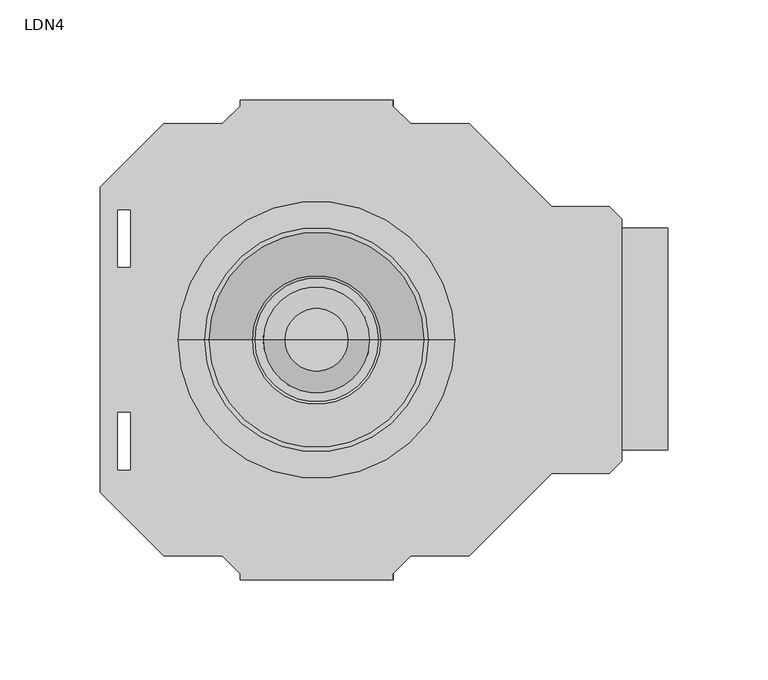
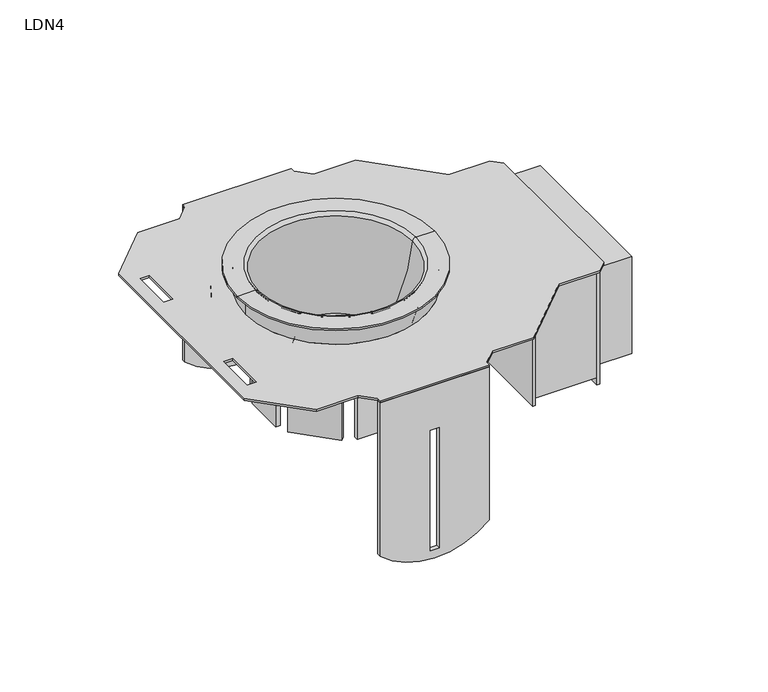
"""IFC4 building model written with IfcOpenShell, lengths in millimetres: light fixture geometry, LDN4."""

from ifc_helpers import new_model, si_unit, point, frame, frame_2d, origin, place, context, project, spatial, polyline, circle_curve, ellipse_curve, trimmed, segment, composite_curve, outline, extrude, source, transform, mapped, element, save
from ifc_brep_helpers import plane_surface, cylinder_surface, revolved_surface, advanced_brep


def ldn4_453c6aef(model_context):
    return source(origin(), model_context, "Body", "SolidModel", [
        extrude(outline(composite_curve([segment(polyline([(-15.8702112, 409.6494281), (-129.0810051, 409.6494281)]), True, "CONTINUOUS"), segment(trimmed(circle_curve(frame_2d((-86.7922705, 447.7942934)), 56.9505736), [point((-129.0810051, 409.6494281))], [point((-129.0810051, 485.9391587))], False, "CARTESIAN"), True, "CONTINUOUS"), segment(polyline([(-129.0810051, 485.9391587), (-15.8702112, 485.9391587), (-15.8702112, 409.6494281)]), True, "CONTINUOUS")], self_intersect=False), holes=[polyline([(-137.2785156, 444.547284), (-48.3785156, 444.547284), (-48.3785156, 450.897284), (-137.2785156, 450.897284), (-137.2785156, 444.547284)])]), frame((0.0, -119.6691594, 0.0), z_axis=(0.0, 1.0, 0.0), x_axis=(0.0, 0.0, 1.0)), (0.0, 0.0, 1.0), 2.8641741),
        extrude(outline(composite_curve([segment(polyline([(-15.8702112, 409.6494281), (-129.0810051, 409.6494281)]), True, "CONTINUOUS"), segment(trimmed(circle_curve(frame_2d((-86.7922705, 447.7942934)), 56.9505736), [point((-129.0810051, 409.6494281))], [point((-129.0810051, 485.9391587))], False, "CARTESIAN"), True, "CONTINUOUS"), segment(polyline([(-129.0810051, 485.9391587), (-15.8702112, 485.9391587), (-15.8702112, 409.6494281)]), True, "CONTINUOUS")], self_intersect=False), holes=[polyline([(-137.2785156, 444.547284), (-48.3785156, 444.547284), (-48.3785156, 450.897284), (-137.2785156, 450.897284), (-137.2785156, 444.547284)])]), frame((0.0, 116.7803803, 0.0), z_axis=(0.0, 1.0, 0.0), x_axis=(0.0, 0.0, 1.0)), (0.0, 0.0, 1.0), 2.8641741),
        advanced_brep(
        [(400.6090327, 14.2361052, -93.1484804), (400.6090327, -14.2607102, -93.1484804), (397.4361207, -14.2607102, -93.1484804), (397.4361207, 14.2361052, -93.1484804), (494.8397112, 14.2361052, -93.1484804), (498.0126232, 14.2361052, -93.1484804), (498.0126232, -14.2607102, -93.1484804), (494.8397112, -14.2607102, -93.1484804), (403.2191148, 20.5464802, -93.1484804), (401.1196215, 22.6459735, -93.1484804), (425.0596758, 46.5860277, -93.1484804), (427.159169, 44.4865345, -93.1484804), (461.9818592, 47.313081, -93.1484804), (433.4668847, 47.313081, -93.1484804), (433.4668847, 50.488081, -93.1484804), (461.9818592, 50.488081, -93.1484804), (492.2296292, 20.5464802, -93.1484804), (468.2895749, 44.4865345, -93.1484804), (470.3890681, 46.5860277, -93.1484804), (494.3291224, 22.6459735, -93.1484804), (403.2191148, -20.5710852, -93.1484804), (427.159169, -44.5111395, -93.1484804), (425.0596758, -46.6106327, -93.1484804), (401.1196215, -22.6705784, -93.1484804), (461.9818592, -47.337686, -93.1484804), (461.9818592, -50.512686, -93.1484804), (433.4668847, -50.512686, -93.1484804), (433.4668847, -47.337686, -93.1484804), (492.2296292, -20.5710852, -93.1484804), (494.3291224, -22.6705784, -93.1484804), (470.3890681, -46.6106327, -93.1484804), (468.2895749, -44.5111395, -93.1484804), (397.4361207, 14.2361052, -62.6329545), (403.7819447, 14.2361052, -62.6329545), (403.7819447, 14.2361052, -65.8058665), (400.6090327, 14.2361052, -65.8058665), (397.4361207, -14.2607102, -62.6329545), (400.6090327, -14.2607102, -65.8058665), (403.7819447, -14.2607102, -65.8058665), (403.7819447, -14.2607102, -62.6329545), (494.8397112, -14.2607102, -65.8058665), (494.8397112, 14.2361052, -65.8058665), (498.0126232, -14.2607102, -62.6329545), (491.6667992, -14.2607102, -62.6329545), (491.6667992, -14.2607102, -65.8058665), (498.0126232, 14.2361052, -62.6329545), (491.6667992, 14.2361052, -65.8058665), (491.6667992, 14.2361052, -62.6329545), (427.159169, 44.4865345, -65.8058665), (403.2191148, 20.5464802, -65.8058665), (425.0596758, 46.5860277, -62.6329545), (429.4027566, 42.2429469, -62.6329545), (429.4027566, 42.2429469, -65.8058665), (401.1196215, 22.6459735, -62.6329545), (405.6097496, 18.1558454, -65.8058665), (405.6097496, 18.1558454, -62.6329545), (461.9818592, 50.488081, -62.6329545), (461.9818592, 44.138081, -62.6329545), (461.9818592, 44.138081, -65.8058665), (461.9818592, 47.313081, -65.8058665), (433.4668847, 50.488081, -62.6329545), (433.4668847, 47.313081, -65.8058665), (433.4668847, 44.138081, -65.8058665), (433.4668847, 44.138081, -62.6329545), (494.3291224, 22.6459735, -62.6329545), (489.8389943, 18.1558454, -62.6329545), (489.8389943, 18.1558454, -65.8058665), (492.2296292, 20.5464802, -65.8058665), (470.3890681, 46.5860277, -62.6329545), (468.2895749, 44.4865345, -65.8058665), (466.0459873, 42.2429469, -65.8058665), (466.0459873, 42.2429469, -62.6329545), (401.1196215, -22.6705784, -62.6329545), (405.6097496, -18.1804504, -62.6329545), (405.6097496, -18.1804504, -65.8058665), (403.2191148, -20.5710852, -65.8058665), (425.0596758, -46.6106327, -62.6329545), (427.159169, -44.5111395, -65.8058665), (429.4027566, -42.2675519, -65.8058665), (429.4027566, -42.2675519, -62.6329545), (433.4668847, -47.337686, -65.8058665), (461.9818592, -47.337686, -65.8058665), (433.4668847, -50.512686, -62.6329545), (433.4668847, -44.162686, -62.6329545), (433.4668847, -44.162686, -65.8058665), (461.9818592, -50.512686, -62.6329545), (461.9818592, -44.162686, -65.8058665), (461.9818592, -44.162686, -62.6329545), (468.2895749, -44.5111395, -65.8058665), (492.2296292, -20.5710852, -65.8058665), (470.3890681, -46.6106327, -62.6329545), (466.0459873, -42.2675519, -62.6329545), (466.0459873, -42.2675519, -65.8058665), (494.3291224, -22.6705784, -62.6329545), (489.8389943, -18.1804504, -65.8058665), (489.8389943, -18.1804504, -62.6329545)],
        [
            (0, 1),
            (1, 2),
            (2, 3),
            (3, 0),
            (4, 5),
            (5, 6),
            (6, 7),
            (7, 4),
            (8, 9),
            (9, 10),
            (10, 11),
            (11, 8),
            (12, 13),
            (13, 14),
            (14, 15),
            (15, 12),
            (16, 17),
            (17, 18),
            (18, 19),
            (19, 16),
            (20, 21),
            (21, 22),
            (22, 23),
            (23, 20),
            (24, 25),
            (25, 26),
            (26, 27),
            (27, 24),
            (28, 29),
            (29, 30),
            (30, 31),
            (31, 28),
            (3, 32),
            (32, 33),
            (33, 34),
            (34, 35),
            (35, 0),
            (2, 36),
            (36, 32),
            (1, 37),
            (37, 38),
            (38, 39),
            (39, 36),
            (35, 37),
            (7, 40),
            (40, 41),
            (41, 4),
            (6, 42),
            (42, 43),
            (43, 44),
            (44, 40),
            (5, 45),
            (45, 42),
            (41, 46),
            (46, 47),
            (47, 45),
            (11, 48),
            (48, 49),
            (49, 8),
            (10, 50),
            (50, 51),
            (51, 52),
            (52, 48),
            (9, 53),
            (53, 50),
            (49, 54),
            (54, 55),
            (55, 53),
            (15, 56),
            (56, 57),
            (57, 58),
            (58, 59),
            (59, 12),
            (14, 60),
            (60, 56),
            (13, 61),
            (61, 62),
            (62, 63),
            (63, 60),
            (59, 61),
            (19, 64),
            (64, 65),
            (65, 66),
            (66, 67),
            (67, 16),
            (18, 68),
            (68, 64),
            (17, 69),
            (69, 70),
            (70, 71),
            (71, 68),
            (67, 69),
            (23, 72),
            (72, 73),
            (73, 74),
            (74, 75),
            (75, 20),
            (22, 76),
            (76, 72),
            (21, 77),
            (77, 78),
            (78, 79),
            (79, 76),
            (75, 77),
            (27, 80),
            (80, 81),
            (81, 24),
            (26, 82),
            (82, 83),
            (83, 84),
            (84, 80),
            (25, 85),
            (85, 82),
            (81, 86),
            (86, 87),
            (87, 85),
            (31, 88),
            (88, 89),
            (89, 28),
            (30, 90),
            (90, 91),
            (91, 92),
            (92, 88),
            (29, 93),
            (93, 90),
            (89, 94),
            (94, 95),
            (95, 93),
            (39, 73, circle_curve(frame((403.7819447, -16.64674, -62.6329545), z_axis=(0.0, 0.0, -1.0), x_axis=(1.0, 0.0, 0.0)), 2.3860298)),
            (79, 83, circle_curve(frame((431.0899345, -43.9547298, -62.6329545), z_axis=(0.0, 0.0, -1.0), x_axis=(1.0, 0.0, 0.0)), 2.3860298)),
            (87, 91, circle_curve(frame((464.3588095, -43.9547298, -62.6329545), z_axis=(0.0, 0.0, -1.0), x_axis=(1.0, 0.0, 0.0)), 2.3860298)),
            (95, 43, circle_curve(frame((491.6667992, -16.64674, -62.6329545), z_axis=(0.0, 0.0, -1.0), x_axis=(1.0, 0.0, 0.0)), 2.3860298)),
            (47, 65, circle_curve(frame((491.6667992, 16.622135, -62.6329545), z_axis=(0.0, 0.0, -1.0), x_axis=(1.0, 0.0, 0.0)), 2.3860298)),
            (71, 57, circle_curve(frame((464.3588095, 43.9301248, -62.6329545), z_axis=(0.0, 0.0, -1.0), x_axis=(1.0, 0.0, 0.0)), 2.3860298)),
            (63, 51, circle_curve(frame((431.0899345, 43.9301248, -62.6329545), z_axis=(0.0, 0.0, -1.0), x_axis=(1.0, 0.0, 0.0)), 2.3860298)),
            (55, 33, circle_curve(frame((403.7819447, 16.622135, -62.6329545), z_axis=(0.0, 0.0, -1.0), x_axis=(1.0, 0.0, 0.0)), 2.3860298)),
            (34, 54, circle_curve(frame((403.7819447, 16.622135, -65.8058665), z_axis=(0.0, 0.0, 1.0), x_axis=(1.0, 0.0, 0.0)), 2.3860298)),
            (52, 62, circle_curve(frame((431.0899345, 43.9301248, -65.8058665), z_axis=(0.0, 0.0, 1.0), x_axis=(1.0, 0.0, 0.0)), 2.3860298)),
            (58, 70, circle_curve(frame((464.3588095, 43.9301248, -65.8058665), z_axis=(0.0, 0.0, 1.0), x_axis=(1.0, 0.0, 0.0)), 2.3860298)),
            (66, 46, circle_curve(frame((491.6667992, 16.622135, -65.8058665), z_axis=(0.0, 0.0, 1.0), x_axis=(1.0, 0.0, 0.0)), 2.3860298)),
            (44, 94, circle_curve(frame((491.6667992, -16.64674, -65.8058665), z_axis=(0.0, 0.0, 1.0), x_axis=(1.0, 0.0, 0.0)), 2.3860298)),
            (92, 86, circle_curve(frame((464.3588095, -43.9547298, -65.8058665), z_axis=(0.0, 0.0, 1.0), x_axis=(1.0, 0.0, 0.0)), 2.3860298)),
            (84, 78, circle_curve(frame((431.0899345, -43.9547298, -65.8058665), z_axis=(0.0, 0.0, 1.0), x_axis=(1.0, 0.0, 0.0)), 2.3860298)),
            (74, 38, circle_curve(frame((403.7819447, -16.64674, -65.8058665), z_axis=(0.0, 0.0, 1.0), x_axis=(1.0, 0.0, 0.0)), 2.3860298)),
        ],
        [
            plane_surface(frame((397.4361207, 14.2361052, -93.1484804), z_axis=(0.0, 0.0, -1.0), x_axis=(1.0, 0.0, 0.0))),
            plane_surface(frame((400.6090327, 14.2361052, -65.8058665), z_axis=(0.0, 1.0, 0.0), x_axis=(0.0, 0.0, -1.0))),
            plane_surface(frame((397.4361207, 14.2361052, -65.8058665), z_axis=(-1.0, 0.0, 0.0), x_axis=(0.0, 0.0, -1.0))),
            plane_surface(frame((397.4361207, -14.2607102, -65.8058665), z_axis=(0.0, -1.0, 0.0), x_axis=(0.0, 0.0, -1.0))),
            plane_surface(frame((400.6090327, -14.2607102, -65.8058665), z_axis=(1.0, 0.0, 0.0), x_axis=(0.0, 0.0, -1.0))),
            plane_surface(frame((494.8397112, 14.2361052, -65.8058665), z_axis=(-1.0, 0.0, 0.0), x_axis=(0.0, 0.0, -1.0))),
            plane_surface(frame((494.8397112, -14.2607102, -65.8058665), z_axis=(0.0, -1.0, 0.0), x_axis=(0.0, 0.0, -1.0))),
            plane_surface(frame((498.0126232, -14.2607102, -65.8058665), z_axis=(1.0, 0.0, 0.0), x_axis=(0.0, 0.0, -1.0))),
            plane_surface(frame((498.0126232, 14.2361052, -65.8058665), z_axis=(0.0, 1.0, 0.0), x_axis=(0.0, 0.0, -1.0))),
            plane_surface(frame((403.2191148, 20.5464802, -65.8058665), z_axis=(0.7071067811865468, -0.7071067811865482, 0.0), x_axis=(0.0, 0.0, -1.0))),
            plane_surface(frame((427.159169, 44.4865345, -65.8058665), z_axis=(0.7071067811865476, 0.7071067811865476, 0.0), x_axis=(0.0, 0.0, -1.0))),
            plane_surface(frame((425.0596758, 46.5860277, -65.8058665), z_axis=(-0.7071067811865468, 0.7071067811865483, 0.0), x_axis=(0.0, 0.0, -1.0))),
            plane_surface(frame((401.1196215, 22.6459735, -65.8058665), z_axis=(-0.707106781186549, -0.7071067811865461, 0.0), x_axis=(0.0, 0.0, -1.0))),
            plane_surface(frame((461.9818592, 47.313081, -65.8058665), z_axis=(1.0, 0.0, 0.0), x_axis=(0.0, 0.0, -1.0))),
            plane_surface(frame((461.9818592, 50.488081, -65.8058665), z_axis=(0.0, 1.0, 0.0), x_axis=(0.0, 0.0, -1.0))),
            plane_surface(frame((433.4668847, 50.488081, -65.8058665), z_axis=(-1.0, 0.0, 0.0), x_axis=(0.0, 0.0, -1.0))),
            plane_surface(frame((433.4668847, 47.313081, -65.8058665), z_axis=(0.0, -1.0, 0.0), x_axis=(0.0, 0.0, -1.0))),
            plane_surface(frame((492.2296292, 20.5464802, -65.8058665), z_axis=(0.707106781186549, -0.7071067811865461, 0.0), x_axis=(0.0, 0.0, -1.0))),
            plane_surface(frame((494.3291224, 22.6459735, -65.8058665), z_axis=(0.7071067811865468, 0.7071067811865483, 0.0), x_axis=(0.0, 0.0, -1.0))),
            plane_surface(frame((470.3890681, 46.5860277, -65.8058665), z_axis=(-0.7071067811865476, 0.7071067811865476, 0.0), x_axis=(0.0, 0.0, -1.0))),
            plane_surface(frame((468.2895749, 44.4865345, -65.8058665), z_axis=(-0.7071067811865468, -0.7071067811865482, 0.0), x_axis=(0.0, 0.0, -1.0))),
            plane_surface(frame((403.2191148, -20.5710852, -65.8058665), z_axis=(-0.7071067811865526, 0.7071067811865426, 0.0), x_axis=(0.0, 0.0, -1.0))),
            plane_surface(frame((401.1196215, -22.6705784, -65.8058665), z_axis=(-0.7071067811865442, -0.7071067811865509, 0.0), x_axis=(0.0, 0.0, -1.0))),
            plane_surface(frame((425.0596758, -46.6106327, -65.8058665), z_axis=(0.7071067811865518, -0.7071067811865432, 0.0), x_axis=(0.0, 0.0, -1.0))),
            plane_surface(frame((427.159169, -44.5111395, -65.8058665), z_axis=(0.7071067811865444, 0.7071067811865507, 0.0), x_axis=(0.0, 0.0, -1.0))),
            plane_surface(frame((461.9818592, -47.337686, -65.8058665), z_axis=(0.0, 1.0, 0.0), x_axis=(0.0, 0.0, -1.0))),
            plane_surface(frame((433.4668847, -47.337686, -65.8058665), z_axis=(-1.0, 0.0, 0.0), x_axis=(0.0, 0.0, -1.0))),
            plane_surface(frame((433.4668847, -50.512686, -65.8058665), z_axis=(0.0, -1.0, 0.0), x_axis=(0.0, 0.0, -1.0))),
            plane_surface(frame((461.9818592, -50.512686, -65.8058665), z_axis=(1.0, 0.0, 0.0), x_axis=(0.0, 0.0, -1.0))),
            plane_surface(frame((492.2296292, -20.5710852, -65.8058665), z_axis=(-0.7071067811865491, 0.7071067811865459, 0.0), x_axis=(0.0, 0.0, -1.0))),
            plane_surface(frame((468.2895749, -44.5111395, -65.8058665), z_axis=(-0.7071067811865447, -0.7071067811865505, 0.0), x_axis=(0.0, 0.0, -1.0))),
            plane_surface(frame((470.3890681, -46.6106327, -65.8058665), z_axis=(0.7071067811865491, -0.7071067811865459, 0.0), x_axis=(0.0, 0.0, -1.0))),
            plane_surface(frame((494.3291224, -22.6705784, -65.8058665), z_axis=(0.7071067811865447, 0.7071067811865505, 0.0), x_axis=(0.0, 0.0, -1.0))),
            plane_surface(frame((397.4361207, 14.2361052, -62.6329545), z_axis=(0.0, 0.0, 1.0), x_axis=(-1.0, 0.0, 0.0))),
            plane_surface(frame((397.4361207, 14.2361052, -65.8058665), z_axis=(0.0, 0.0, -1.0), x_axis=(1.0, 0.0, 0.0))),
            revolved_surface(polyline([(406.1679745, -16.64674, -65.8058665), (406.1679745, -16.64674, -62.6329545)]), (403.7819447, -16.64674, -65.8058665), (0.0, 0.0, -1.0)),
            revolved_surface(polyline([(433.47596430000004, -43.9547298, -65.8058665), (433.47596430000004, -43.9547298, -62.6329545)]), (431.0899345, -43.9547298, -65.8058665), (0.0, 0.0, -1.0)),
            revolved_surface(polyline([(466.7448393, -43.9547298, -65.8058665), (466.7448393, -43.9547298, -62.6329545)]), (464.3588095, -43.9547298, -65.8058665), (0.0, 0.0, -1.0)),
            revolved_surface(polyline([(494.05282900000003, -16.64674, -65.8058665), (494.05282900000003, -16.64674, -62.6329545)]), (491.6667992, -16.64674, -65.8058665), (0.0, 0.0, -1.0)),
            revolved_surface(polyline([(494.05282900000003, 16.622135, -65.8058665), (494.05282900000003, 16.622135, -62.6329545)]), (491.6667992, 16.622135, -65.8058665), (0.0, 0.0, -1.0)),
            revolved_surface(polyline([(466.7448393, 43.9301248, -65.8058665), (466.7448393, 43.9301248, -62.6329545)]), (464.3588095, 43.9301248, -65.8058665), (0.0, 0.0, -1.0)),
            revolved_surface(polyline([(433.47596430000004, 43.9301248, -65.8058665), (433.47596430000004, 43.9301248, -62.6329545)]), (431.0899345, 43.9301248, -65.8058665), (0.0, 0.0, -1.0)),
            revolved_surface(polyline([(406.1679745, 16.622135, -65.8058665), (406.1679745, 16.622135, -62.6329545)]), (403.7819447, 16.622135, -65.8058665), (0.0, 0.0, -1.0)),
        ],
        [
            (0, [[1, 2, 3, 4]]),
            (0, [[5, 6, 7, 8]]),
            (0, [[9, 10, 11, 12]]),
            (0, [[13, 14, 15, 16]]),
            (0, [[17, 18, 19, 20]]),
            (0, [[21, 22, 23, 24]]),
            (0, [[25, 26, 27, 28]]),
            (0, [[29, 30, 31, 32]]),
            (1, [[-4, 33, 34, 35, 36, 37]]),
            (2, [[-33, -3, 38, 39]]),
            (3, [[-38, -2, 40, 41, 42, 43]]),
            (4, [[-1, -37, 44, -40]]),
            (5, [[-8, 45, 46, 47]]),
            (6, [[-7, 48, 49, 50, 51, -45]]),
            (7, [[-48, -6, 52, 53]]),
            (8, [[-52, -5, -47, 54, 55, 56]]),
            (9, [[-12, 57, 58, 59]]),
            (10, [[-11, 60, 61, 62, 63, -57]]),
            (11, [[-60, -10, 64, 65]]),
            (12, [[-64, -9, -59, 66, 67, 68]]),
            (13, [[-16, 69, 70, 71, 72, 73]]),
            (14, [[-69, -15, 74, 75]]),
            (15, [[-74, -14, 76, 77, 78, 79]]),
            (16, [[-13, -73, 80, -76]]),
            (17, [[-20, 81, 82, 83, 84, 85]]),
            (18, [[-81, -19, 86, 87]]),
            (19, [[-86, -18, 88, 89, 90, 91]]),
            (20, [[-17, -85, 92, -88]]),
            (21, [[-24, 93, 94, 95, 96, 97]]),
            (22, [[-93, -23, 98, 99]]),
            (23, [[-98, -22, 100, 101, 102, 103]]),
            (24, [[-21, -97, 104, -100]]),
            (25, [[-28, 105, 106, 107]]),
            (26, [[-27, 108, 109, 110, 111, -105]]),
            (27, [[-108, -26, 112, 113]]),
            (28, [[-112, -25, -107, 114, 115, 116]]),
            (29, [[-32, 117, 118, 119]]),
            (30, [[-31, 120, 121, 122, 123, -117]]),
            (31, [[-120, -30, 124, 125]]),
            (32, [[-124, -29, -119, 126, 127, 128]]),
            (33, [[-34, -39, -43, 129, -94, -99, -103, 130, -109, -113, -116, 131, -121, -125, -128, 132, -49, -53, -56, 133, -82, -87, -91, 134, -70, -75, -79, 135, -61, -65, -68, 136]]),
            (34, [[137, -66, -58, -63, 138, -77, -80, -72, 139, -89, -92, -84, 140, -54, -46, -51, 141, -126, -118, -123, 142, -114, -106, -111, 143, -101, -104, -96, 144, -41, -44, -36]]),
            (35, [[-129, -42, -144, -95]]),
            (36, [[-130, -102, -143, -110]]),
            (37, [[-131, -115, -142, -122]]),
            (38, [[-132, -127, -141, -50]]),
            (39, [[-133, -55, -140, -83]]),
            (40, [[-134, -90, -139, -71]]),
            (41, [[-135, -78, -138, -62]]),
            (42, [[-136, -67, -137, -35]]),
        ],
    ),
        extrude(outline(polyline([(596.2756307, 55.8874113), (622.9085878, 55.8874113), (622.9085878, -55.0395905), (596.2756307, -55.0395905), (596.2756307, 55.8874113)])), frame((0.0, 0.0, -92.9674755), z_axis=(0.0, 0.0, 1.0), x_axis=(1.0, 0.0, 0.0)), (0.0, 0.0, 1.0), 71.5505374),
        extrude(outline(polyline([(549.6554772, 61.8594813), (551.5166689, 61.8594813), (551.5166689, -61.8840863), (549.6554772, -61.8840863), (549.6554772, 61.8594813)])), frame((0.0, 0.0, -102.3511004), z_axis=(0.0, 0.0, 1.0), x_axis=(1.0, 0.0, 0.0)), (0.0, 0.0, 1.0), 86.4808892),
        extrude(outline(polyline([(594.414439, 61.8594813), (596.2756307, 61.8594813), (596.2756307, -61.8840863), (594.414439, -61.8840863), (594.414439, 61.8594813)])), frame((0.0, 0.0, -102.3511004), z_axis=(0.0, 0.0, 1.0), x_axis=(1.0, 0.0, 0.0)), (0.0, 0.0, 1.0), 86.4808892),
        extrude(outline(polyline([(551.6689687, 61.8594813), (594.6555803, 61.8594813), (594.6555803, -61.8840863), (551.6689687, -61.8840863), (551.6689687, 61.8594813)])), frame((0.0, 0.0, -96.7667753), z_axis=(0.0, 0.0, 1.0), x_axis=(1.0, 0.0, 0.0)), (0.0, 0.0, 1.0), 80.8965641),
        advanced_brep(
        [(510.5480293, -0.0123025, 0.0), (384.9007146, -0.0123025, 0.0), (384.9007146, -0.0123025, -14.4233634), (510.5480293, -0.0123025, -14.4233634), (509.5326975, -0.0123025, 0.0), (385.9160464, -0.0123025, 0.0), (509.5326975, -0.0123025, -14.4233634), (385.9160464, -0.0123025, -14.4233634), (509.5326975, -0.0123025, -17.0835328), (385.9160464, -0.0123025, -17.0835328), (385.9160464, -0.0123025, -15.8702112), (509.5326975, -0.0123025, -15.8702112), (523.8742597, -0.0123025, -17.0835328), (371.5744842, -0.0123025, -17.0835328), (523.8742597, -0.0123025, -15.8702112), (371.5744842, -0.0123025, -15.8702112), (387.8609651, -0.0123025, -14.4233634), (507.5877789, -0.0123025, -14.4233634), (339.8453644, -76.1621902, -14.4233634), (371.5744842, -107.8913101, -14.4233634), (400.7652745, -107.8913101, -14.4233634), (409.6494281, -116.7754637, -14.4233634), (409.6494281, -119.6691594, -14.4233634), (485.7993158, -119.6691594, -14.4233634), (485.7993158, -116.7754637, -14.4233634), (494.6834694, -107.8913101, -14.4233634), (523.8742597, -107.8913101, -14.4233634), (565.1221155, -66.6434543, -14.4233634), (593.6783234, -66.6434543, -14.4233634), (600.0241474, -60.2976303, -14.4233634), (600.0241474, 60.2730253, -14.4233634), (593.6783234, 66.6188493, -14.4233634), (565.1221155, 66.6188493, -14.4233634), (523.8742597, 107.8667051, -14.4233634), (494.6834694, 107.8667051, -14.4233634), (485.7993158, 116.7508587, -14.4233634), (485.7993158, 119.6445544, -14.4233634), (409.6494281, 119.6445544, -14.4233634), (409.6494281, 116.7508587, -14.4233634), (400.7652745, 107.8667051, -14.4233634), (371.5744842, 107.8667051, -14.4233634), (339.8453644, 76.1375852, -14.4233634), (354.8215089, 64.8420186, -14.4233634), (354.8215089, 36.2858107, -14.4233634), (348.475685, 36.2858107, -14.4233634), (348.475685, 64.8420186, -14.4233634), (354.8215089, -36.3104156, -14.4233634), (354.8215089, -64.8666235, -14.4233634), (348.475685, -64.8666235, -14.4233634), (348.475685, -36.3104156, -14.4233634), (387.8609651, -0.0123025, -15.8702112), (507.5877789, -0.0123025, -15.8702112), (339.8453644, -76.1621902, -15.8702112), (339.8453644, 76.1375852, -15.8702112), (371.5744842, 107.8667051, -15.8702112), (400.7652745, 107.8667051, -15.8702112), (409.6494281, 116.7508587, -15.8702112), (409.6494281, 119.6445544, -15.8702112), (485.7993158, 119.6445544, -15.8702112), (485.7993158, 116.7508587, -15.8702112), (494.6834694, 107.8667051, -15.8702112), (523.8742597, 107.8667051, -15.8702112), (565.1221155, 66.6188493, -15.8702112), (593.6783234, 66.6188493, -15.8702112), (600.0241474, 60.2730253, -15.8702112), (600.0241474, -60.2976303, -15.8702112), (593.6783234, -66.6434543, -15.8702112), (565.1221155, -66.6434543, -15.8702112), (523.8742597, -107.8913101, -15.8702112), (494.6834694, -107.8913101, -15.8702112), (485.7993158, -116.7754637, -15.8702112), (485.7993158, -119.6691594, -15.8702112), (409.6494281, -119.6691594, -15.8702112), (409.6494281, -116.7754637, -15.8702112), (400.7652745, -107.8913101, -15.8702112), (371.5744842, -107.8913101, -15.8702112), (354.8215089, 64.8420186, -15.8702112), (348.475685, 64.8420186, -15.8702112), (348.475685, 36.2858107, -15.8702112), (354.8215089, 36.2858107, -15.8702112), (354.8215089, -36.3104156, -15.8702112), (348.475685, -36.3104156, -15.8702112), (348.475685, -64.8666235, -15.8702112), (354.8215089, -64.8666235, -15.8702112)],
        [
            (0, 1, circle_curve(frame((447.724372, -0.0123025, 0.0), z_axis=(0.0, 0.0, -1.0), x_axis=(-1.0, 0.0, 0.0)), 62.8236574)),
            (1, 2),
            (2, 3, circle_curve(frame((447.724372, -0.0123025, -14.4233634), z_axis=(0.0, 0.0, 1.0), x_axis=(-1.0, 0.0, 0.0)), 62.8236574)),
            (3, 0),
            (1, 0, circle_curve(frame((447.724372, -0.0123025, 0.0), z_axis=(0.0, 0.0, -1.0), x_axis=(-1.0, 0.0, 0.0)), 62.8236574)),
            (3, 2, circle_curve(frame((447.724372, -0.0123025, -14.4233634), z_axis=(0.0, 0.0, 1.0), x_axis=(-1.0, 0.0, 0.0)), 62.8236574)),
            (0, 4),
            (4, 5, circle_curve(frame((447.724372, -0.0123025, 0.0), z_axis=(0.0, 0.0, -1.0), x_axis=(-1.0, 0.0, 0.0)), 61.8083255)),
            (5, 1),
            (5, 4, circle_curve(frame((447.724372, -0.0123025, 0.0), z_axis=(0.0, 0.0, -1.0), x_axis=(-1.0, 0.0, 0.0)), 61.8083255)),
            (4, 6),
            (6, 7, circle_curve(frame((447.724372, -0.0123025, -14.4233634), z_axis=(0.0, 0.0, -1.0), x_axis=(-1.0, 0.0, 0.0)), 61.8083255)),
            (7, 5),
            (8, 9, circle_curve(frame((447.724372, -0.0123025, -17.0835328), z_axis=(0.0, 0.0, -1.0), x_axis=(-1.0, 0.0, 0.0)), 61.8083255)),
            (9, 10),
            (10, 11, circle_curve(frame((447.724372, -0.0123025, -15.8702112), z_axis=(0.0, 0.0, 1.0), x_axis=(-1.0, 0.0, 0.0)), 61.8083255)),
            (11, 8),
            (7, 6, circle_curve(frame((447.724372, -0.0123025, -14.4233634), z_axis=(0.0, 0.0, -1.0), x_axis=(-1.0, 0.0, 0.0)), 61.8083255)),
            (9, 8, circle_curve(frame((447.724372, -0.0123025, -17.0835328), z_axis=(0.0, 0.0, -1.0), x_axis=(-1.0, 0.0, 0.0)), 61.8083255)),
            (11, 10, circle_curve(frame((447.724372, -0.0123025, -15.8702112), z_axis=(0.0, 0.0, 1.0), x_axis=(-1.0, 0.0, 0.0)), 61.8083255)),
            (8, 12),
            (12, 13, circle_curve(frame((447.724372, -0.0123025, -17.0835328), z_axis=(0.0, 0.0, -1.0), x_axis=(-1.0, 0.0, 0.0)), 76.1498877)),
            (13, 9),
            (13, 12, circle_curve(frame((447.724372, -0.0123025, -17.0835328), z_axis=(0.0, 0.0, -1.0), x_axis=(-1.0, 0.0, 0.0)), 76.1498877)),
            (12, 14),
            (14, 15, circle_curve(frame((447.724372, -0.0123025, -15.8702112), z_axis=(0.0, 0.0, -1.0), x_axis=(-1.0, 0.0, 0.0)), 76.1498877)),
            (15, 13),
            (15, 14, circle_curve(frame((447.724372, -0.0123025, -15.8702112), z_axis=(0.0, 0.0, -1.0), x_axis=(-1.0, 0.0, 0.0)), 76.1498877)),
            (16, 17, circle_curve(frame((447.724372, -0.0123025, -14.4233634), z_axis=(0.0, 0.0, -1.0), x_axis=(1.0, 0.0, 0.0)), 59.8634069)),
            (17, 16, circle_curve(frame((447.724372, -0.0123025, -14.4233634), z_axis=(0.0, 0.0, -1.0), x_axis=(1.0, 0.0, 0.0)), 59.8634069)),
            (18, 19),
            (19, 20),
            (20, 21),
            (21, 22),
            (22, 23),
            (23, 24),
            (24, 25),
            (25, 26),
            (26, 27),
            (27, 28),
            (28, 29),
            (29, 30),
            (30, 31),
            (31, 32),
            (32, 33),
            (33, 34),
            (34, 35),
            (35, 36),
            (36, 37),
            (37, 38),
            (38, 39),
            (39, 40),
            (40, 41),
            (41, 18),
            (42, 43),
            (43, 44),
            (44, 45),
            (45, 42),
            (46, 47),
            (47, 48),
            (48, 49),
            (49, 46),
            (50, 51, circle_curve(frame((447.724372, -0.0123025, -15.8702112), z_axis=(0.0, 0.0, 1.0), x_axis=(1.0, 0.0, 0.0)), 59.8634069)),
            (51, 50, circle_curve(frame((447.724372, -0.0123025, -15.8702112), z_axis=(0.0, 0.0, 1.0), x_axis=(1.0, 0.0, 0.0)), 59.8634069)),
            (52, 53),
            (53, 54),
            (54, 55),
            (55, 56),
            (56, 57),
            (57, 58),
            (58, 59),
            (59, 60),
            (60, 61),
            (61, 62),
            (62, 63),
            (63, 64),
            (64, 65),
            (65, 66),
            (66, 67),
            (67, 68),
            (68, 69),
            (69, 70),
            (70, 71),
            (71, 72),
            (72, 73),
            (73, 74),
            (74, 75),
            (75, 52),
            (76, 77),
            (77, 78),
            (78, 79),
            (79, 76),
            (80, 81),
            (81, 82),
            (82, 83),
            (83, 80),
            (18, 52),
            (75, 19),
            (74, 20),
            (73, 21),
            (72, 22),
            (71, 23),
            (70, 24),
            (69, 25),
            (68, 26),
            (67, 27),
            (66, 28),
            (65, 29),
            (64, 30),
            (63, 31),
            (62, 32),
            (61, 33),
            (60, 34),
            (59, 35),
            (58, 36),
            (57, 37),
            (56, 38),
            (55, 39),
            (54, 40),
            (53, 41),
            (42, 76),
            (79, 43),
            (78, 44),
            (77, 45),
            (46, 80),
            (83, 47),
            (82, 48),
            (81, 49),
            (16, 50),
            (51, 17),
        ],
        [
            cylinder_surface(frame((447.724372, -0.0123025, 12.7), z_axis=(0.0, 0.0, 1.0), x_axis=(-1.0, 0.0, 0.0)), 62.8236574),
            plane_surface(frame((447.724372, -0.0123025, 0.0), z_axis=(0.0, 0.0, 1.0), x_axis=(-1.0, 0.0, 0.0))),
            revolved_surface(polyline([(385.9160465, -0.0123025, 0.0), (385.9160465, -0.0123025, -14.4233634)]), (447.724372, -0.0123025, 12.7), (0.0, 0.0, 1.0)),
            revolved_surface(polyline([(385.9160465, -0.0123025, -15.8702112), (385.9160465, -0.0123025, -17.0835328)]), (447.724372, -0.0123025, 12.7), (0.0, 0.0, 1.0)),
            plane_surface(frame((447.724372, -0.0123025, -17.0835328), z_axis=(0.0, 0.0, -1.0), x_axis=(-1.0, 0.0, 0.0))),
            cylinder_surface(frame((447.724372, -0.0123025, 12.7), z_axis=(0.0, 0.0, 1.0), x_axis=(-1.0, 0.0, 0.0)), 76.1498877),
            plane_surface(frame((339.8453644, -76.1621902, -14.4233634), z_axis=(0.0, 0.0, 1.0000000000000002), x_axis=(0.7071067811865459, -0.7071067811865492, 0.0))),
            plane_surface(frame((339.8453644, -76.1621902, -15.8702112), z_axis=(0.0, 0.0, -1.0000000000000002), x_axis=(-0.7071067811865459, 0.7071067811865492, 0.0))),
            plane_surface(frame((339.8453644, -76.1621902, -14.4233634), z_axis=(-0.7071067811865492, -0.7071067811865459, 0.0), x_axis=(0.0, 0.0, -1.0))),
            plane_surface(frame((371.5744842, -107.8913101, -14.4233634), z_axis=(0.0, -1.0, 0.0), x_axis=(0.0, 0.0, -1.0))),
            plane_surface(frame((400.7652745, -107.8913101, -14.4233634), z_axis=(-0.7071067811865489, -0.7071067811865461, 0.0), x_axis=(0.0, 0.0, -1.0))),
            plane_surface(frame((409.6494281, -116.7754637, -14.4233634), z_axis=(-1.0, 0.0, 0.0), x_axis=(0.0, 0.0, -1.0))),
            plane_surface(frame((409.6494281, -119.6691594, -14.4233634), z_axis=(0.0, -1.0, 0.0), x_axis=(0.0, 0.0, -1.0))),
            plane_surface(frame((485.7993158, -119.6691594, -14.4233634), z_axis=(1.0, 0.0, 0.0), x_axis=(0.0, 0.0, -1.0))),
            plane_surface(frame((485.7993158, -116.7754637, -14.4233634), z_axis=(0.7071067811865461, -0.7071067811865489, 0.0), x_axis=(0.0, 0.0, -1.0))),
            plane_surface(frame((494.6834694, -107.8913101, -14.4233634), z_axis=(0.0, -1.0, 0.0), x_axis=(0.0, 0.0, -1.0))),
            plane_surface(frame((523.8742597, -107.8913101, -14.4233634), z_axis=(0.7071067811865471, -0.707106781186548, 0.0), x_axis=(0.0, 0.0, -1.0))),
            plane_surface(frame((565.1221155, -66.6434543, -14.4233634), z_axis=(0.0, -1.0, 0.0), x_axis=(0.0, 0.0, -1.0))),
            plane_surface(frame((593.6783234, -66.6434543, -14.4233634), z_axis=(0.707106781186547, -0.707106781186548, 0.0), x_axis=(0.0, 0.0, -1.0))),
            plane_surface(frame((600.0241474, -60.2976303, -14.4233634), z_axis=(1.0, 0.0, 0.0), x_axis=(0.0, 0.0, -1.0))),
            plane_surface(frame((600.0241474, 60.2730253, -14.4233634), z_axis=(0.7071067811865485, 0.7071067811865466, 0.0), x_axis=(0.0, 0.0, -1.0))),
            plane_surface(frame((593.6783234, 66.6188493, -14.4233634), z_axis=(0.0, 1.0, 0.0), x_axis=(0.0, 0.0, -1.0))),
            plane_surface(frame((565.1221155, 66.6188493, -14.4233634), z_axis=(0.7071067811865496, 0.7071067811865457, 0.0), x_axis=(0.0, 0.0, -1.0))),
            plane_surface(frame((523.8742597, 107.8667051, -14.4233634), z_axis=(0.0, 1.0, 0.0), x_axis=(0.0, 0.0, -1.0))),
            plane_surface(frame((494.6834694, 107.8667051, -14.4233634), z_axis=(0.7071067811865502, 0.7071067811865448, 0.0), x_axis=(0.0, 0.0, -1.0))),
            plane_surface(frame((485.7993158, 116.7508587, -14.4233634), z_axis=(1.0, 0.0, 0.0), x_axis=(0.0, 0.0, -1.0))),
            plane_surface(frame((485.7993158, 119.6445544, -14.4233634), z_axis=(0.0, 1.0, 0.0), x_axis=(0.0, 0.0, -1.0))),
            plane_surface(frame((409.6494281, 119.6445544, -14.4233634), z_axis=(-1.0, 0.0, 0.0), x_axis=(0.0, 0.0, -1.0))),
            plane_surface(frame((409.6494281, 116.7508587, -14.4233634), z_axis=(-0.7071067811865482, 0.7071067811865469, 0.0), x_axis=(0.0, 0.0, -1.0))),
            plane_surface(frame((400.7652745, 107.8667051, -14.4233634), z_axis=(0.0, 1.0, 0.0), x_axis=(0.0, 0.0, -1.0))),
            plane_surface(frame((371.5744842, 107.8667051, -14.4233634), z_axis=(-0.7071067811865471, 0.7071067811865479, 0.0), x_axis=(0.0, 0.0, -1.0))),
            plane_surface(frame((339.8453644, 76.1375852, -14.4233634), z_axis=(-1.0, 0.0, 0.0), x_axis=(0.0, 0.0, -1.0))),
            plane_surface(frame((354.8215089, 64.8420186, -14.4233634), z_axis=(-1.0, 0.0, 0.0), x_axis=(0.0, 0.0, -1.0))),
            plane_surface(frame((354.8215089, 36.2858107, -14.4233634), z_axis=(0.0, 1.0, 0.0), x_axis=(0.0, 0.0, -1.0))),
            plane_surface(frame((348.475685, 36.2858107, -14.4233634), z_axis=(1.0, 0.0, 0.0), x_axis=(0.0, 0.0, -1.0))),
            plane_surface(frame((348.475685, 64.8420186, -14.4233634), z_axis=(0.0, -1.0, 0.0), x_axis=(0.0, 0.0, -1.0))),
            plane_surface(frame((354.8215089, -36.3104156, -14.4233634), z_axis=(-1.0, 0.0, 0.0), x_axis=(0.0, 0.0, -1.0))),
            plane_surface(frame((354.8215089, -64.8666235, -14.4233634), z_axis=(0.0, 1.0, 0.0), x_axis=(0.0, 0.0, -1.0))),
            plane_surface(frame((348.475685, -64.8666235, -14.4233634), z_axis=(1.0, 0.0, 0.0), x_axis=(0.0, 0.0, -1.0))),
            plane_surface(frame((348.475685, -36.3104156, -14.4233634), z_axis=(0.0, -1.0, 0.0), x_axis=(0.0, 0.0, -1.0))),
            revolved_surface(polyline([(507.5877789, -0.0123025, -15.8702112), (507.5877789, -0.0123025, -14.4233634)]), (447.724372, -0.0123025, 0.0), (0.0, 0.0, -1.0)),
        ],
        [
            (0, [[1, 2, 3, 4]]),
            (0, [[5, -4, 6, -2]]),
            (1, [[-1, 7, 8, 9]]),
            (1, [[-5, -9, 10, -7]]),
            (2, [[-8, 11, 12, 13]]),
            (3, [[14, 15, 16, 17]]),
            (2, [[-10, -13, 18, -11]]),
            (3, [[19, -17, 20, -15]]),
            (4, [[-14, 21, 22, 23]]),
            (4, [[-19, -23, 24, -21]]),
            (5, [[-22, 25, 26, 27]]),
            (5, [[-24, -27, 28, -25]]),
            (6, [[-12, -18], [29, 30]]),
            (6, [[31, 32, 33, 34, 35, 36, 37, 38, 39, 40, 41, 42, 43, 44, 45, 46, 47, 48, 49, 50, 51, 52, 53, 54], [-3, -6], [55, 56, 57, 58], [59, 60, 61, 62]]),
            (7, [[-16, -20], [63, 64]]),
            (7, [[65, 66, 67, 68, 69, 70, 71, 72, 73, 74, 75, 76, 77, 78, 79, 80, 81, 82, 83, 84, 85, 86, 87, 88], [-26, -28], [89, 90, 91, 92], [93, 94, 95, 96]]),
            (8, [[-31, 97, -88, 98]]),
            (9, [[-32, -98, -87, 99]]),
            (10, [[-33, -99, -86, 100]]),
            (11, [[-34, -100, -85, 101]]),
            (12, [[-35, -101, -84, 102]]),
            (13, [[-36, -102, -83, 103]]),
            (14, [[-37, -103, -82, 104]]),
            (15, [[-38, -104, -81, 105]]),
            (16, [[-39, -105, -80, 106]]),
            (17, [[-40, -106, -79, 107]]),
            (18, [[-41, -107, -78, 108]]),
            (19, [[-42, -108, -77, 109]]),
            (20, [[-43, -109, -76, 110]]),
            (21, [[-44, -110, -75, 111]]),
            (22, [[-45, -111, -74, 112]]),
            (23, [[-46, -112, -73, 113]]),
            (24, [[-47, -113, -72, 114]]),
            (25, [[-48, -114, -71, 115]]),
            (26, [[-49, -115, -70, 116]]),
            (27, [[-50, -116, -69, 117]]),
            (28, [[-51, -117, -68, 118]]),
            (29, [[-52, -118, -67, 119]]),
            (30, [[-53, -119, -66, 120]]),
            (31, [[-54, -120, -65, -97]]),
            (32, [[-55, 121, -92, 122]]),
            (33, [[-56, -122, -91, 123]]),
            (34, [[-57, -123, -90, 124]]),
            (35, [[-58, -124, -89, -121]]),
            (36, [[-59, 125, -96, 126]]),
            (37, [[-60, -126, -95, 127]]),
            (38, [[-61, -127, -94, 128]]),
            (39, [[-62, -128, -93, -125]]),
            (40, [[-29, 129, -64, 130]]),
            (40, [[-30, -130, -63, -129]]),
        ],
    ),
        advanced_brep(
        [(447.724372, -0.0123025, -51.1930275), (432.0900605, -0.0123025, -51.1930275), (463.3586834, -0.0123025, -51.1930275), (463.3436967, -0.0123025, -52.1923699), (432.1050473, -0.0123025, -52.1923699), (447.724372, -0.0123025, -52.1923699), (473.8701695, -0.0123025, -62.7188427), (421.5785745, -0.0123025, -62.7188427), (474.8844986, -0.0123025, -62.7188427), (420.5642453, -0.0123025, -62.7188427)],
        [
            (0, 1),
            (1, 2, circle_curve(frame((447.724372, -0.0123025, -51.1930275), z_axis=(0.0, 0.0, 1.0), x_axis=(-1.0, 0.0, 0.0)), 15.6343115)),
            (2, 0),
            (2, 1, circle_curve(frame((447.724372, -0.0123025, -51.1930275), z_axis=(0.0, 0.0, 1.0), x_axis=(-1.0, 0.0, 0.0)), 15.6343115)),
            (3, 4, circle_curve(frame((447.724372, -0.0123025, -52.1923699), z_axis=(0.0, 0.0, -1.0), x_axis=(-1.0, 0.0, 0.0)), 15.6193247)),
            (4, 5),
            (5, 3),
            (4, 3, circle_curve(frame((447.724372, -0.0123025, -52.1923699), z_axis=(0.0, 0.0, -1.0), x_axis=(-1.0, 0.0, 0.0)), 15.6193247)),
            (6, 7, circle_curve(frame((447.724372, -0.0123025, -62.7188427), z_axis=(0.0, 0.0, -1.0), x_axis=(-1.0, 0.0, 0.0)), 26.1457975)),
            (7, 4, circle_curve(frame((432.1050473, -0.0123025, -62.7188427), z_axis=(0.0, 1.0, 0.0), x_axis=(1.0, 0.0, 0.0)), 10.5264728)),
            (3, 6, circle_curve(frame((463.3436967, -0.0123025, -62.7188427), z_axis=(0.0, 1.0, 0.0), x_axis=(-1.0, 0.0, 0.0)), 10.5264728)),
            (7, 6, circle_curve(frame((447.724372, -0.0123025, -62.7188427), z_axis=(0.0, 0.0, -1.0), x_axis=(-1.0, 0.0, 0.0)), 26.1457975)),
            (8, 9, circle_curve(frame((447.724372, -0.0123025, -62.7188427), z_axis=(0.0, 0.0, -1.0), x_axis=(-1.0, 0.0, 0.0)), 27.1601266)),
            (9, 7),
            (6, 8),
            (9, 8, circle_curve(frame((447.724372, -0.0123025, -62.7188427), z_axis=(0.0, 0.0, -1.0), x_axis=(-1.0, 0.0, 0.0)), 27.1601266)),
            (1, 9, circle_curve(frame((432.0900605, -0.0123025, -62.7188427), z_axis=(0.0, -1.0, 0.0), x_axis=(1.0, 0.0, 0.0)), 11.5258152)),
            (8, 2, circle_curve(frame((463.3586834, -0.0123025, -62.7188427), z_axis=(0.0, -1.0, 0.0), x_axis=(-1.0, 0.0, 0.0)), 11.5258152)),
        ],
        [
            plane_surface(frame((447.724372, -0.0123025, -51.1930275), z_axis=(0.0, 0.0, 1.0), x_axis=(-1.0, 0.0, 0.0))),
            plane_surface(frame((447.724372, -0.0123025, -52.1923699), z_axis=(0.0, 0.0, -1.0), x_axis=(-1.0, 0.0, 0.0))),
            revolved_surface(trimmed(ellipse_curve(frame((432.1050473, -0.0123025, -62.7188427), z_axis=(0.0, -1.0, 0.0), x_axis=(1.0, 0.0, 0.0)), 10.5264728, 10.5264728), [point((432.1050473, -0.0123025, -52.1923699))], [point((421.5785745, -0.0123025, -62.7188427))], True, "CARTESIAN"), (447.724372, -0.0123025, -46.3839159), (0.0, 0.0, 1.0)),
            plane_surface(frame((447.724372, -0.0123025, -62.7188427), z_axis=(0.0, 0.0, -1.0), x_axis=(-1.0, 0.0, 0.0))),
            revolved_surface(trimmed(ellipse_curve(frame((432.0900605, -0.0123025, -62.7188427), z_axis=(0.0, 1.0, 0.0), x_axis=(1.0, 0.0, 0.0)), 11.5258152, 11.5258152), [point((420.5642453, -0.0123025, -62.7188427))], [point((432.0900605, -0.0123025, -51.1930275))], True, "CARTESIAN"), (447.724372, -0.0123025, -46.3839159), (0.0, 0.0, 1.0)),
        ],
        [
            (0, [[1, 2, 3]]),
            (0, [[-3, 4, -1]]),
            (1, [[5, 6, 7]]),
            (1, [[8, -7, -6]]),
            (2, [[9, 10, -5, 11]]),
            (2, [[12, -11, -8, -10]]),
            (3, [[13, 14, -9, 15]]),
            (3, [[16, -15, -12, -14]]),
            (4, [[-2, 17, -13, 18]]),
            (4, [[-4, -18, -16, -17]]),
        ],
    ),
        advanced_brep(
        [(516.7669368, -0.0123025, 1.2635135), (378.6818071, -0.0123025, 1.2635135), (378.6818071, -0.0123025, 0.0), (516.7669368, -0.0123025, 0.0), (503.7476764, -0.0123025, 1.2635135), (391.7010675, -0.0123025, 1.2635135), (501.469782, -0.0123025, -1.0143809), (393.978962, -0.0123025, -1.0143809), (479.9013648, -0.0123025, -57.8334211), (415.5473791, -0.0123025, -57.8334211), (478.6612619, -0.0123025, -58.4382596), (416.787482, -0.0123025, -58.4382596), (474.0038873, -0.0123025, -58.4382596), (421.4448567, -0.0123025, -58.4382596), (474.343959, -0.0123025, -59.7074244), (421.104785, -0.0123025, -59.7074244), (478.7080835, -0.0123025, -59.7074244), (416.7406604, -0.0123025, -59.7074244), (480.557893, -0.0123025, -58.9973491), (414.8908509, -0.0123025, -58.9973491), (502.7127538, -0.0123025, -1.2819635), (392.7359901, -0.0123025, -1.2819635), (503.9947174, -0.0123025, 0.0), (391.4540266, -0.0123025, 0.0)],
        [
            (0, 1, circle_curve(frame((447.724372, -0.0123025, 1.2635135), z_axis=(0.0, 0.0, -1.0), x_axis=(-1.0, 0.0, 0.0)), 69.0425649)),
            (1, 2),
            (2, 3, circle_curve(frame((447.724372, -0.0123025, 0.0), z_axis=(0.0, 0.0, 1.0), x_axis=(-1.0, 0.0, 0.0)), 69.0425649)),
            (3, 0),
            (1, 0, circle_curve(frame((447.724372, -0.0123025, 1.2635135), z_axis=(0.0, 0.0, -1.0), x_axis=(-1.0, 0.0, 0.0)), 69.0425649)),
            (3, 2, circle_curve(frame((447.724372, -0.0123025, 0.0), z_axis=(0.0, 0.0, 1.0), x_axis=(-1.0, 0.0, 0.0)), 69.0425649)),
            (4, 5, circle_curve(frame((447.724372, -0.0123025, 1.2635135), z_axis=(0.0, 0.0, -1.0), x_axis=(-1.0, 0.0, 0.0)), 56.0233044)),
            (5, 1),
            (0, 4),
            (5, 4, circle_curve(frame((447.724372, -0.0123025, 1.2635135), z_axis=(0.0, 0.0, -1.0), x_axis=(-1.0, 0.0, 0.0)), 56.0233044)),
            (6, 7, circle_curve(frame((447.724372, -0.0123025, -1.0143809), z_axis=(0.0, 0.0, -1.0), x_axis=(-1.0, 0.0, 0.0)), 53.74541)),
            (7, 5, circle_curve(frame((391.7010675, -0.0123025, -1.0143809), z_axis=(0.0, -1.0, 0.0), x_axis=(1.0, 0.0, 0.0)), 2.2778944)),
            (4, 6, circle_curve(frame((503.7476764, -0.0123025, -1.0143809), z_axis=(0.0, -1.0, 0.0), x_axis=(-1.0, 0.0, 0.0)), 2.2778944)),
            (7, 6, circle_curve(frame((447.724372, -0.0123025, -1.0143809), z_axis=(0.0, 0.0, -1.0), x_axis=(-1.0, 0.0, 0.0)), 53.74541)),
            (8, 9, circle_curve(frame((447.724372, -0.0123025, -57.8334211), z_axis=(0.0, 0.0, -1.0), x_axis=(-1.0, 0.0, 0.0)), 32.1769929)),
            (9, 7, circle_curve(frame((496.4640399, -0.0123025, 5.385603), z_axis=(0.0, 1.0, 0.0), x_axis=(1.0, 0.0, 0.0)), 102.6847165)),
            (6, 8, circle_curve(frame((398.984704, -0.0123025, 5.385603), z_axis=(0.0, 1.0, 0.0), x_axis=(-1.0, 0.0, 0.0)), 102.6847165)),
            (9, 8, circle_curve(frame((447.724372, -0.0123025, -57.8334211), z_axis=(0.0, 0.0, -1.0), x_axis=(-1.0, 0.0, 0.0)), 32.1769929)),
            (10, 11, circle_curve(frame((447.724372, -0.0123025, -58.4382596), z_axis=(0.0, 0.0, -1.0), x_axis=(-1.0, 0.0, 0.0)), 30.93689)),
            (11, 9, circle_curve(frame((416.787482, -0.0123025, -56.8645465), z_axis=(0.0, 1.0, 0.0), x_axis=(1.0, 0.0, 0.0)), 1.5737132)),
            (8, 10, circle_curve(frame((478.6612619, -0.0123025, -56.8645465), z_axis=(0.0, 1.0, 0.0), x_axis=(-1.0, 0.0, 0.0)), 1.5737132)),
            (11, 10, circle_curve(frame((447.724372, -0.0123025, -58.4382596), z_axis=(0.0, 0.0, -1.0), x_axis=(-1.0, 0.0, 0.0)), 30.93689)),
            (12, 13, circle_curve(frame((447.724372, -0.0123025, -58.4382596), z_axis=(0.0, 0.0, -1.0), x_axis=(-1.0, 0.0, 0.0)), 26.2795153)),
            (13, 11),
            (10, 12),
            (13, 12, circle_curve(frame((447.724372, -0.0123025, -58.4382596), z_axis=(0.0, 0.0, -1.0), x_axis=(-1.0, 0.0, 0.0)), 26.2795153)),
            (14, 15, circle_curve(frame((447.724372, -0.0123025, -59.7074244), z_axis=(0.0, 0.0, -1.0), x_axis=(-1.0, 0.0, 0.0)), 26.619587)),
            (15, 13),
            (12, 14),
            (15, 14, circle_curve(frame((447.724372, -0.0123025, -59.7074244), z_axis=(0.0, 0.0, -1.0), x_axis=(-1.0, 0.0, 0.0)), 26.619587)),
            (16, 17, circle_curve(frame((447.724372, -0.0123025, -59.7074244), z_axis=(0.0, 0.0, -1.0), x_axis=(-1.0, 0.0, 0.0)), 30.9837115)),
            (17, 15),
            (14, 16),
            (17, 16, circle_curve(frame((447.724372, -0.0123025, -59.7074244), z_axis=(0.0, 0.0, -1.0), x_axis=(-1.0, 0.0, 0.0)), 30.9837115)),
            (18, 19, circle_curve(frame((447.724372, -0.0123025, -58.9973491), z_axis=(0.0, 0.0, -1.0), x_axis=(-1.0, 0.0, 0.0)), 32.8335211)),
            (19, 17, circle_curve(frame((416.4592202, -0.0123025, -57.6761043), z_axis=(0.0, -1.0, 0.0), x_axis=(1.0, 0.0, 0.0)), 2.0507243)),
            (16, 18, circle_curve(frame((478.9895237, -0.0123025, -57.6761043), z_axis=(0.0, -1.0, 0.0), x_axis=(-1.0, 0.0, 0.0)), 2.0507243)),
            (19, 18, circle_curve(frame((447.724372, -0.0123025, -58.9973491), z_axis=(0.0, 0.0, -1.0), x_axis=(-1.0, 0.0, 0.0)), 32.8335211)),
            (20, 21, circle_curve(frame((447.724372, -0.0123025, -1.2819635), z_axis=(0.0, 0.0, -1.0), x_axis=(-1.0, 0.0, 0.0)), 54.9883819)),
            (21, 19, circle_curve(frame((487.0936841, -0.0123025, 1.8286417), z_axis=(0.0, -1.0, 0.0), x_axis=(1.0, 0.0, 0.0)), 94.4089523)),
            (18, 20, circle_curve(frame((408.3550599, -0.0123025, 1.8286417), z_axis=(0.0, -1.0, 0.0), x_axis=(-1.0, 0.0, 0.0)), 94.4089523)),
            (21, 20, circle_curve(frame((447.724372, -0.0123025, -1.2819635), z_axis=(0.0, 0.0, -1.0), x_axis=(-1.0, 0.0, 0.0)), 54.9883819)),
            (22, 23, circle_curve(frame((447.724372, -0.0123025, 0.0), z_axis=(0.0, 0.0, -1.0), x_axis=(-1.0, 0.0, 0.0)), 56.2703454)),
            (23, 21, circle_curve(frame((391.4540266, -0.0123025, -1.2819635), z_axis=(0.0, 1.0, 0.0), x_axis=(1.0, 0.0, 0.0)), 1.2819635)),
            (20, 22, circle_curve(frame((503.9947174, -0.0123025, -1.2819635), z_axis=(0.0, 1.0, 0.0), x_axis=(-1.0, 0.0, 0.0)), 1.2819635)),
            (23, 22, circle_curve(frame((447.724372, -0.0123025, 0.0), z_axis=(0.0, 0.0, -1.0), x_axis=(-1.0, 0.0, 0.0)), 56.2703454)),
            (2, 23),
            (22, 3),
        ],
        [
            cylinder_surface(frame((447.724372, -0.0123025, 7.6135135), z_axis=(0.0, 0.0, 1.0), x_axis=(-1.0, 0.0, 0.0)), 69.0425649),
            plane_surface(frame((447.724372, -0.0123025, 1.2635135), z_axis=(0.0, 0.0, 1.0), x_axis=(-1.0, 0.0, 0.0))),
            revolved_surface(trimmed(ellipse_curve(frame((391.7010675, -0.0123025, -1.0143809), z_axis=(0.0, 1.0, 0.0), x_axis=(1.0, 0.0, 0.0)), 2.2778944, 2.2778944), [point((391.7010675, -0.0123025, 1.2635135))], [point((393.978962, -0.0123025, -1.0143809))], True, "CARTESIAN"), (447.724372, -0.0123025, 7.6135135), (0.0, 0.0, 1.0)),
            revolved_surface(trimmed(ellipse_curve(frame((496.4640399, -0.0123025, 5.385603), z_axis=(0.0, -1.0, 0.0), x_axis=(1.0, 0.0, 0.0)), 102.6847165, 102.6847165), [point((393.978962, -0.0123025, -1.0143809))], [point((415.5473791, -0.0123025, -57.8334211))], True, "CARTESIAN"), (447.724372, -0.0123025, 7.6135135), (0.0, 0.0, 1.0)),
            revolved_surface(trimmed(ellipse_curve(frame((416.787482, -0.0123025, -56.8645465), z_axis=(0.0, -1.0, 0.0), x_axis=(1.0, 0.0, 0.0)), 1.5737132, 1.5737132), [point((415.5473791, -0.0123025, -57.8334211))], [point((416.787482, -0.0123025, -58.4382596))], True, "CARTESIAN"), (447.724372, -0.0123025, 7.6135135), (0.0, 0.0, 1.0)),
            plane_surface(frame((447.724372, -0.0123025, -58.4382596), z_axis=(0.0, 0.0, 1.0), x_axis=(-1.0, 0.0, 0.0))),
            revolved_surface(polyline([(421.4448567, -0.0123025, -58.4382596), (421.104785, -0.0123025, -59.7074244)]), (447.724372, -0.0123025, 7.6135135), (0.0, 0.0, 1.0)),
            plane_surface(frame((447.724372, -0.0123025, -59.7074244), z_axis=(0.0, 0.0, -1.0), x_axis=(-1.0, 0.0, 0.0))),
            revolved_surface(trimmed(ellipse_curve(frame((416.4592202, -0.0123025, -57.6761043), z_axis=(0.0, 1.0, 0.0), x_axis=(1.0, 0.0, 0.0)), 2.0507243, 2.0507243), [point((416.7406604, -0.0123025, -59.7074244))], [point((414.8908509, -0.0123025, -58.9973491))], True, "CARTESIAN"), (447.724372, -0.0123025, 7.6135135), (0.0, 0.0, 1.0)),
            revolved_surface(trimmed(ellipse_curve(frame((487.0936841, -0.0123025, 1.8286417), z_axis=(0.0, 1.0, 0.0), x_axis=(1.0, 0.0, 0.0)), 94.4089523, 94.4089523), [point((414.8908509, -0.0123025, -58.9973491))], [point((392.7359901, -0.0123025, -1.2819635))], True, "CARTESIAN"), (447.724372, -0.0123025, 7.6135135), (0.0, 0.0, 1.0)),
            revolved_surface(trimmed(ellipse_curve(frame((391.4540266, -0.0123025, -1.2819635), z_axis=(0.0, -1.0, 0.0), x_axis=(1.0, 0.0, 0.0)), 1.2819635, 1.2819635), [point((392.7359901, -0.0123025, -1.2819635))], [point((391.4540266, -0.0123025, 0.0))], True, "CARTESIAN"), (447.724372, -0.0123025, 7.6135135), (0.0, 0.0, 1.0)),
            plane_surface(frame((447.724372, -0.0123025, 0.0), z_axis=(0.0, 0.0, -1.0), x_axis=(-1.0, 0.0, 0.0))),
        ],
        [
            (0, [[1, 2, 3, 4]]),
            (0, [[5, -4, 6, -2]]),
            (1, [[7, 8, -1, 9]]),
            (1, [[10, -9, -5, -8]]),
            (2, [[11, 12, -7, 13]]),
            (2, [[14, -13, -10, -12]]),
            (3, [[15, 16, -11, 17]]),
            (3, [[18, -17, -14, -16]]),
            (4, [[19, 20, -15, 21]]),
            (4, [[22, -21, -18, -20]]),
            (5, [[23, 24, -19, 25]]),
            (5, [[26, -25, -22, -24]]),
            (6, [[27, 28, -23, 29]]),
            (6, [[30, -29, -26, -28]]),
            (7, [[31, 32, -27, 33]]),
            (7, [[34, -33, -30, -32]]),
            (8, [[35, 36, -31, 37]]),
            (8, [[38, -37, -34, -36]]),
            (9, [[39, 40, -35, 41]]),
            (9, [[42, -41, -38, -40]]),
            (10, [[43, 44, -39, 45]]),
            (10, [[46, -45, -42, -44]]),
            (11, [[-3, 47, -43, 48]]),
            (11, [[-6, -48, -46, -47]]),
        ],
    ),
    ])


if __name__ == "__main__":
    model = new_model("IFC4")
    model_context = context("Model", 3, world=origin())
    ifc_project = project(units=[si_unit("LENGTHUNIT", "METRE", prefix="MILLI")], contexts=[model_context])
    site = spatial("IfcSite", under=ifc_project)
    building = spatial("IfcBuilding", under=site)
    placement = place(None, origin())
    ldn4_shape = ldn4_453c6aef(model_context)
    element("IfcLightFixture", 1, ObjectType="LDN4", at=placement, inside=building, context=model_context, shape_type="MappedRepresentation", body=[
        mapped(ldn4_shape, transform((0.0, 0.0, 0.0), x_axis=(1.0, 0.0, 0.0), y_axis=(0.0, 1.0, 0.0), z_axis=(0.0, 0.0, 1.0))),
    ])
    save(model, "model.ifc")
